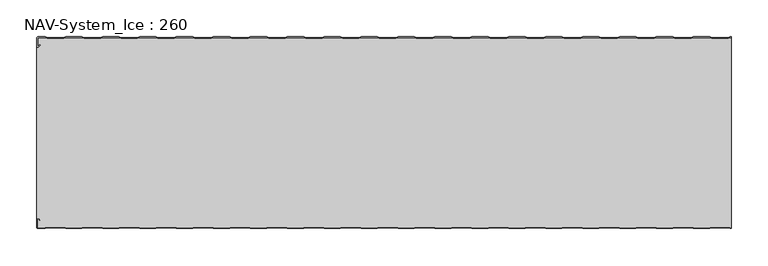
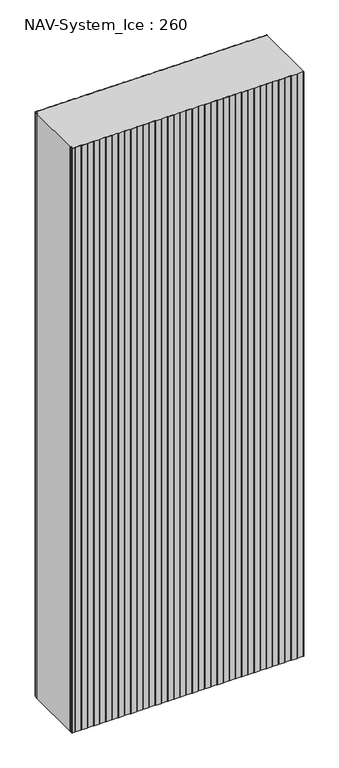
"""IFC4 building model written with IfcOpenShell, lengths in millimetres: plate geometry, NAV-System_Ice : 260."""

from ifc_helpers import new_model, si_unit, point, frame_2d, origin, origin_with_axes, place, context, project, spatial, polyline, circle_curve, trimmed, segment, composite_curve, outline, extrude, source, transform, mapped, element, save


def nav_system_ice_260_d38e5509(model_context):
    return source(origin(), model_context, "Body", "SweptSolid", [
        extrude(outline(composite_curve([segment(polyline([(469.1298221, -0.8), (466.1298221, -1.8), (443.8701779, -1.8), (440.8701779, -0.8), (419.1298221, -0.8), (416.1298221, -1.8), (393.8701779, -1.8), (390.8701779, -0.8), (369.1298221, -0.8), (366.1298221, -1.8), (343.8701779, -1.8), (340.8701779, -0.8), (319.1298221, -0.8), (316.1298221, -1.8), (293.8701779, -1.8), (290.8701779, -0.8), (269.1298221, -0.8), (266.1298221, -1.8), (243.8701779, -1.8), (240.8701779, -0.8), (219.1298221, -0.8), (216.1298221, -1.8), (193.8701779, -1.8), (190.8701779, -0.8), (169.1298221, -0.8), (166.1298221, -1.8), (143.8701779, -1.8), (140.8701779, -0.8), (119.1298221, -0.8), (116.1298221, -1.8), (93.8701779, -1.8), (90.8701779, -0.8), (69.1298221, -0.8), (66.1298221, -1.8), (43.8701779, -1.8), (40.8701779, -0.8), (19.1298221, -0.8), (16.1298221, -1.8), (-6.1298221, -1.8), (-9.1298221, -0.8), (-30.8701779, -0.8), (-33.8701779, -1.8), (-56.1298221, -1.8), (-59.1298221, -0.8), (-80.8701779, -0.8), (-83.8701779, -1.8), (-106.1298221, -1.8), (-109.1298221, -0.8), (-130.8701779, -0.8), (-133.8701779, -1.8), (-156.1298221, -1.8), (-159.1298221, -0.8), (-180.8701779, -0.8), (-183.8701779, -1.8), (-206.1298221, -1.8), (-209.1298221, -0.8), (-230.8701779, -0.8), (-233.8701779, -1.8), (-256.1298221, -1.8), (-259.1298221, -0.8), (-280.8701779, -0.8), (-283.8701779, -1.8), (-306.1298221, -1.8), (-309.1298221, -0.8), (-330.8701779, -0.8), (-333.8701779, -1.8), (-356.1298221, -1.8), (-359.1298221, -0.8), (-380.8701779, -0.8), (-383.8701779, -1.8), (-406.1298221, -1.8), (-409.1298221, -0.8), (-430.8701779, -0.8), (-433.8701779, -1.8), (-456.1298221, -1.8), (-459.1298221, -0.8), (-468.7, -0.8)]), True, "CONTINUOUS"), segment(trimmed(circle_curve(frame_2d((-468.7, -1.3)), 0.5), [point((-468.7, -0.8))], [point((-469.2, -1.3))], True, "CARTESIAN"), True, "CONTINUOUS"), segment(polyline([(-469.2, -1.3), (-469.2, -12.5857864)]), True, "CONTINUOUS"), segment(trimmed(circle_curve(frame_2d((-468.7, -12.5857864)), 0.5), [point((-469.2, -12.5857864))], [point((-468.3464466, -12.9393398))], True, "CARTESIAN"), True, "CONTINUOUS"), segment(polyline([(-468.3464466, -12.9393398), (-465.9205321, -10.5134253), (-465.3548467, -11.0791108), (-467.7807612, -13.5050253)]), True, "CONTINUOUS"), segment(trimmed(circle_curve(frame_2d((-468.7, -12.5857864)), 1.3), [point((-467.7807612, -13.5050253))], [point((-470.0, -12.5857864))], False, "CARTESIAN"), True, "CONTINUOUS"), segment(polyline([(-470.0, -12.5857864), (-470.0, -1.3)]), True, "CONTINUOUS"), segment(trimmed(circle_curve(frame_2d((-468.7, -1.3)), 1.3), [point((-470.0, -1.3))], [point((-468.7, 0.0))], False, "CARTESIAN"), True, "CONTINUOUS"), segment(polyline([(-468.7, 0.0), (-459.0, 0.0), (-456.0, -1.0), (-434.0, -1.0), (-431.0, 0.0), (-409.0, 0.0), (-406.0, -1.0), (-384.0, -1.0), (-381.0, 0.0), (-359.0, 0.0), (-356.0, -1.0), (-334.0, -1.0), (-331.0, 0.0), (-309.0, 0.0), (-306.0, -1.0), (-284.0, -1.0), (-281.0, 0.0), (-259.0, 0.0), (-256.0, -1.0), (-234.0, -1.0), (-231.0, 0.0), (-209.0, 0.0), (-206.0, -1.0), (-184.0, -1.0), (-181.0, 0.0), (-159.0, 0.0), (-156.0, -1.0), (-134.0, -1.0), (-131.0, 0.0), (-109.0, 0.0), (-106.0, -1.0), (-84.0, -1.0), (-81.0, 0.0), (-59.0, 0.0), (-56.0, -1.0), (-34.0, -1.0), (-31.0, 0.0), (-9.0, 0.0), (-6.0, -1.0), (16.0, -1.0), (19.0, 0.0), (41.0, 0.0), (44.0, -1.0), (66.0, -1.0), (69.0, 0.0), (91.0, 0.0), (94.0, -1.0), (116.0, -1.0), (119.0, 0.0), (141.0, 0.0), (144.0, -1.0), (166.0, -1.0), (169.0, 0.0), (191.0, 0.0), (194.0, -1.0), (216.0, -1.0), (219.0, 0.0), (241.0, 0.0), (244.0, -1.0), (266.0, -1.0), (269.0, 0.0), (291.0, 0.0), (294.0, -1.0), (316.0, -1.0), (319.0, 0.0), (341.0, 0.0), (344.0, -1.0), (366.0, -1.0), (369.0, 0.0), (391.0, 0.0), (394.0, -1.0), (416.0, -1.0), (419.0, 0.0), (441.0, 0.0), (444.0, -1.0), (466.0, -1.0), (469.0, 0.0), (470.0, 0.0), (470.0, -0.8), (469.1298221, -0.8)]), True, "CONTINUOUS")], self_intersect=False)), origin_with_axes(), (0.0, 0.0, 1.0), 2500.0),
        extrude(outline(composite_curve([segment(polyline([(469.1298221, -259.2), (466.1298221, -258.2), (443.8701779, -258.2), (440.8701779, -259.2), (419.1298221, -259.2), (416.1298221, -258.2), (393.8701779, -258.2), (390.8701779, -259.2), (369.1298221, -259.2), (366.1298221, -258.2), (343.8701779, -258.2), (340.8701779, -259.2), (319.1298221, -259.2), (316.1298221, -258.2), (293.8701779, -258.2), (290.8701779, -259.2), (269.1298221, -259.2), (266.1298221, -258.2), (243.8701779, -258.2), (240.8701779, -259.2), (219.1298221, -259.2), (216.1298221, -258.2), (193.8701779, -258.2), (190.8701779, -259.2), (169.1298221, -259.2), (166.1298221, -258.2), (143.8701779, -258.2), (140.8701779, -259.2), (119.1298221, -259.2), (116.1298221, -258.2), (93.8701779, -258.2), (90.8701779, -259.2), (69.1298221, -259.2), (66.1298221, -258.2), (43.8701779, -258.2), (40.8701779, -259.2), (19.1298221, -259.2), (16.1298221, -258.2), (-6.1298221, -258.2), (-9.1298221, -259.2), (-30.8701779, -259.2), (-33.8701779, -258.2), (-56.1298221, -258.2), (-59.1298221, -259.2), (-80.8701779, -259.2), (-83.8701779, -258.2), (-106.1298221, -258.2), (-109.1298221, -259.2), (-130.8701779, -259.2), (-133.8701779, -258.2), (-156.1298221, -258.2), (-159.1298221, -259.2), (-180.8701779, -259.2), (-183.8701779, -258.2), (-206.1298221, -258.2), (-209.1298221, -259.2), (-230.8701779, -259.2), (-233.8701779, -258.2), (-256.1298221, -258.2), (-259.1298221, -259.2), (-280.8701779, -259.2), (-283.8701779, -258.2), (-306.1298221, -258.2), (-309.1298221, -259.2), (-330.8701779, -259.2), (-333.8701779, -258.2), (-356.1298221, -258.2), (-359.1298221, -259.2), (-380.8701779, -259.2), (-383.8701779, -258.2), (-406.1298221, -258.2), (-409.1298221, -259.2), (-430.8701779, -259.2), (-433.8701779, -258.2), (-456.1298221, -258.2), (-459.1298221, -259.2), (-468.7, -259.2)]), True, "CONTINUOUS"), segment(trimmed(circle_curve(frame_2d((-468.7, -258.7)), 0.5), [point((-468.7, -259.2))], [point((-469.2, -258.7))], False, "CARTESIAN"), True, "CONTINUOUS"), segment(polyline([(-469.2, -258.7), (-469.2, -247.4142136)]), True, "CONTINUOUS"), segment(trimmed(circle_curve(frame_2d((-468.7, -247.4142136)), 0.5), [point((-469.2, -247.4142136))], [point((-468.3464466, -247.0606602))], False, "CARTESIAN"), True, "CONTINUOUS"), segment(polyline([(-468.3464466, -247.0606602), (-465.9205321, -249.4865747), (-465.3548467, -248.9208892), (-467.7807612, -246.4949747)]), True, "CONTINUOUS"), segment(trimmed(circle_curve(frame_2d((-468.7, -247.4142136)), 1.3), [point((-467.7807612, -246.4949747))], [point((-468.7, -246.1142136))], True, "CARTESIAN"), True, "CONTINUOUS"), segment(polyline([(-468.7, -246.1142136), (-470.0, -246.1142136), (-470.0, -13.8857864), (-468.7, -13.8857864)]), True, "CONTINUOUS"), segment(trimmed(circle_curve(frame_2d((-468.7, -12.5857864)), 1.3), [point((-468.7, -13.8857864))], [point((-467.7807612, -13.5050253))], True, "CARTESIAN"), True, "CONTINUOUS"), segment(polyline([(-467.7807612, -13.5050253), (-465.3548467, -11.0791108), (-465.9205321, -10.5134253), (-468.3464466, -12.9393398)]), True, "CONTINUOUS"), segment(trimmed(circle_curve(frame_2d((-468.7, -12.5857864)), 0.5), [point((-468.3464466, -12.9393398))], [point((-469.2, -12.5857864))], False, "CARTESIAN"), True, "CONTINUOUS"), segment(polyline([(-469.2, -12.5857864), (-469.2, -1.3)]), True, "CONTINUOUS"), segment(trimmed(circle_curve(frame_2d((-468.7, -1.3)), 0.5), [point((-469.2, -1.3))], [point((-468.7, -0.8))], False, "CARTESIAN"), True, "CONTINUOUS"), segment(polyline([(-468.7, -0.8), (-459.1298221, -0.8), (-456.1298221, -1.8), (-433.8701779, -1.8), (-430.8701779, -0.8), (-409.1298221, -0.8), (-406.1298221, -1.8), (-383.8701779, -1.8), (-380.8701779, -0.8), (-359.1298221, -0.8), (-356.1298221, -1.8), (-333.8701779, -1.8), (-330.8701779, -0.8), (-309.1298221, -0.8), (-306.1298221, -1.8), (-283.8701779, -1.8), (-280.8701779, -0.8), (-259.1298221, -0.8), (-256.1298221, -1.8), (-233.8701779, -1.8), (-230.8701779, -0.8), (-209.1298221, -0.8), (-206.1298221, -1.8), (-183.8701779, -1.8), (-180.8701779, -0.8), (-159.1298221, -0.8), (-156.1298221, -1.8), (-133.8701779, -1.8), (-130.8701779, -0.8), (-109.1298221, -0.8), (-106.1298221, -1.8), (-83.8701779, -1.8), (-80.8701779, -0.8), (-59.1298221, -0.8), (-56.1298221, -1.8), (-33.8701779, -1.8), (-30.8701779, -0.8), (-9.1298221, -0.8), (-6.1298221, -1.8), (16.1298221, -1.8), (19.1298221, -0.8), (40.8701779, -0.8), (43.8701779, -1.8), (66.1298221, -1.8), (69.1298221, -0.8), (90.8701779, -0.8), (93.8701779, -1.8), (116.1298221, -1.8), (119.1298221, -0.8), (140.8701779, -0.8), (143.8701779, -1.8), (166.1298221, -1.8), (169.1298221, -0.8), (190.8701779, -0.8), (193.8701779, -1.8), (216.1298221, -1.8), (219.1298221, -0.8), (240.8701779, -0.8), (243.8701779, -1.8), (266.1298221, -1.8), (269.1298221, -0.8), (290.8701779, -0.8), (293.8701779, -1.8), (316.1298221, -1.8), (319.1298221, -0.8), (340.8701779, -0.8), (343.8701779, -1.8), (366.1298221, -1.8), (369.1298221, -0.8), (390.8701779, -0.8), (393.8701779, -1.8), (416.1298221, -1.8), (419.1298221, -0.8), (440.8701779, -0.8), (443.8701779, -1.8), (466.1298221, -1.8), (469.1298221, -0.8), (470.0, -0.8), (470.0, -259.2), (469.1298221, -259.2)]), True, "CONTINUOUS")], self_intersect=False)), origin_with_axes(), (0.0, 0.0, 1.0), 2500.0),
        extrude(outline(composite_curve([segment(polyline([(469.0, -260.0), (466.0, -259.0), (444.0, -259.0), (441.0, -260.0), (419.0, -260.0), (416.0, -259.0), (394.0, -259.0), (391.0, -260.0), (369.0, -260.0), (366.0, -259.0), (344.0, -259.0), (341.0, -260.0), (319.0, -260.0), (316.0, -259.0), (294.0, -259.0), (291.0, -260.0), (269.0, -260.0), (266.0, -259.0), (244.0, -259.0), (241.0, -260.0), (219.0, -260.0), (216.0, -259.0), (194.0, -259.0), (191.0, -260.0), (169.0, -260.0), (166.0, -259.0), (144.0, -259.0), (141.0, -260.0), (119.0, -260.0), (116.0, -259.0), (94.0, -259.0), (91.0, -260.0), (69.0, -260.0), (66.0, -259.0), (44.0, -259.0), (41.0, -260.0), (19.0, -260.0), (16.0, -259.0), (-6.0, -259.0), (-9.0, -260.0), (-31.0, -260.0), (-34.0, -259.0), (-56.0, -259.0), (-59.0, -260.0), (-81.0, -260.0), (-84.0, -259.0), (-106.0, -259.0), (-109.0, -260.0), (-131.0, -260.0), (-134.0, -259.0), (-156.0, -259.0), (-159.0, -260.0), (-181.0, -260.0), (-184.0, -259.0), (-206.0, -259.0), (-209.0, -260.0), (-231.0, -260.0), (-234.0, -259.0), (-256.0, -259.0), (-259.0, -260.0), (-281.0, -260.0), (-284.0, -259.0), (-306.0, -259.0), (-309.0, -260.0), (-331.0, -260.0), (-334.0, -259.0), (-356.0, -259.0), (-359.0, -260.0), (-381.0, -260.0), (-384.0, -259.0), (-406.0, -259.0), (-409.0, -260.0), (-431.0, -260.0), (-434.0, -259.0), (-456.0, -259.0), (-459.0, -260.0), (-468.7, -260.0)]), True, "CONTINUOUS"), segment(trimmed(circle_curve(frame_2d((-468.7, -258.7)), 1.3), [point((-468.7, -260.0))], [point((-470.0, -258.7))], False, "CARTESIAN"), True, "CONTINUOUS"), segment(polyline([(-470.0, -258.7), (-470.0, -247.4142136)]), True, "CONTINUOUS"), segment(trimmed(circle_curve(frame_2d((-468.7, -247.4142136)), 1.3), [point((-470.0, -247.4142136))], [point((-467.7807612, -246.4949747))], False, "CARTESIAN"), True, "CONTINUOUS"), segment(polyline([(-467.7807612, -246.4949747), (-465.3548467, -248.9208892), (-465.9205321, -249.4865747), (-468.3464466, -247.0606602)]), True, "CONTINUOUS"), segment(trimmed(circle_curve(frame_2d((-468.7, -247.4142136)), 0.5), [point((-468.3464466, -247.0606602))], [point((-469.2, -247.4142136))], True, "CARTESIAN"), True, "CONTINUOUS"), segment(polyline([(-469.2, -247.4142136), (-469.2, -258.7)]), True, "CONTINUOUS"), segment(trimmed(circle_curve(frame_2d((-468.7, -258.7)), 0.5), [point((-469.2, -258.7))], [point((-468.7, -259.2))], True, "CARTESIAN"), True, "CONTINUOUS"), segment(polyline([(-468.7, -259.2), (-459.1298221, -259.2), (-456.1298221, -258.2), (-433.8701779, -258.2), (-430.8701779, -259.2), (-409.1298221, -259.2), (-406.1298221, -258.2), (-383.8701779, -258.2), (-380.8701779, -259.2), (-359.1298221, -259.2), (-356.1298221, -258.2), (-333.8701779, -258.2), (-330.8701779, -259.2), (-309.1298221, -259.2), (-306.1298221, -258.2), (-283.8701779, -258.2), (-280.8701779, -259.2), (-259.1298221, -259.2), (-256.1298221, -258.2), (-233.8701779, -258.2), (-230.8701779, -259.2), (-209.1298221, -259.2), (-206.1298221, -258.2), (-183.8701779, -258.2), (-180.8701779, -259.2), (-159.1298221, -259.2), (-156.1298221, -258.2), (-133.8701779, -258.2), (-130.8701779, -259.2), (-109.1298221, -259.2), (-106.1298221, -258.2), (-83.8701779, -258.2), (-80.8701779, -259.2), (-59.1298221, -259.2), (-56.1298221, -258.2), (-33.8701779, -258.2), (-30.8701779, -259.2), (-9.1298221, -259.2), (-6.1298221, -258.2), (16.1298221, -258.2), (19.1298221, -259.2), (40.8701779, -259.2), (43.8701779, -258.2), (66.1298221, -258.2), (69.1298221, -259.2), (90.8701779, -259.2), (93.8701779, -258.2), (116.1298221, -258.2), (119.1298221, -259.2), (140.8701779, -259.2), (143.8701779, -258.2), (166.1298221, -258.2), (169.1298221, -259.2), (190.8701779, -259.2), (193.8701779, -258.2), (216.1298221, -258.2), (219.1298221, -259.2), (240.8701779, -259.2), (243.8701779, -258.2), (266.1298221, -258.2), (269.1298221, -259.2), (290.8701779, -259.2), (293.8701779, -258.2), (316.1298221, -258.2), (319.1298221, -259.2), (340.8701779, -259.2), (343.8701779, -258.2), (366.1298221, -258.2), (369.1298221, -259.2), (390.8701779, -259.2), (393.8701779, -258.2), (416.1298221, -258.2), (419.1298221, -259.2), (440.8701779, -259.2), (443.8701779, -258.2), (466.1298221, -258.2), (469.1298221, -259.2), (470.0, -259.2), (470.0, -260.0), (469.0, -260.0)]), True, "CONTINUOUS")], self_intersect=False)), origin_with_axes(), (0.0, 0.0, 1.0), 2500.0),
    ])


if __name__ == "__main__":
    model = new_model("IFC4")
    model_context = context("Model", 3, world=origin())
    ifc_project = project(units=[si_unit("LENGTHUNIT", "METRE", prefix="MILLI")], contexts=[model_context])
    site = spatial("IfcSite", under=ifc_project)
    building = spatial("IfcBuilding", under=site)
    placement = place(None, origin())
    nav_system_ice_260_shape = nav_system_ice_260_d38e5509(model_context)
    element("IfcPlate", 1, ObjectType="NAV-System_Ice : 260", at=placement, inside=building, context=model_context, shape_type="MappedRepresentation", body=[
        mapped(nav_system_ice_260_shape, transform((0.0, 0.0, 0.0), x_axis=(1.0, 0.0, 0.0), y_axis=(0.0, 1.0, 0.0), z_axis=(0.0, 0.0, 1.0))),
    ])
    save(model, "model.ifc")
